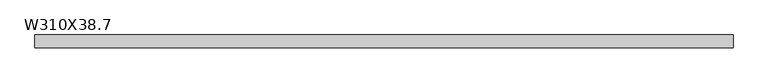
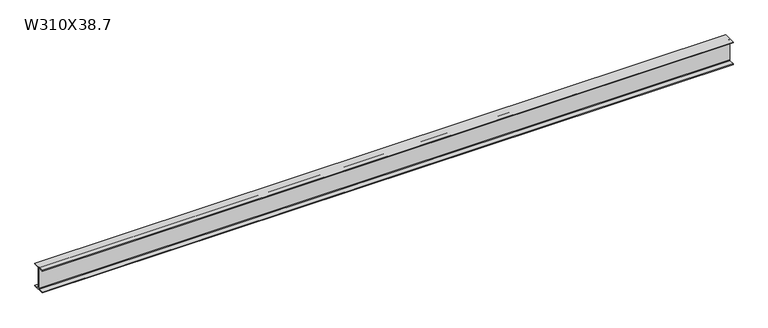
"""IFC4 building model written with IfcOpenShell, lengths in millimetres: beam geometry, W310X38.7."""

from ifc_helpers import new_model, si_unit, point, frame, frame_2d, origin, place, context, project, spatial, polyline, circle_curve, trimmed, segment, composite_curve, outline, extrude, source, transform, mapped, element, save


def w310x38_7_84b18755(model_context):
    return source(origin(), model_context, "Body", "SweptSolid", [
        extrude(outline(composite_curve([segment(polyline([(82.5, -145.35), (82.5, -155.0), (-82.5, -155.0), (-82.5, -145.35), (-10.57, -145.35)]), True, "CONTINUOUS"), segment(trimmed(circle_curve(frame_2d((-10.57, -137.7)), 7.65), [point((-10.57, -145.35))], [point((-2.92, -137.7))], True, "CARTESIAN"), True, "CONTINUOUS"), segment(polyline([(-2.92, -137.7), (-2.92, 137.7)]), True, "CONTINUOUS"), segment(trimmed(circle_curve(frame_2d((-10.57, 137.7)), 7.65), [point((-2.92, 137.7))], [point((-10.57, 145.35))], True, "CARTESIAN"), True, "CONTINUOUS"), segment(polyline([(-10.57, 145.35), (-82.5, 145.35), (-82.5, 155.0), (82.5, 155.0), (82.5, 145.35), (10.57, 145.35)]), True, "CONTINUOUS"), segment(trimmed(circle_curve(frame_2d((10.57, 137.7)), 7.65), [point((10.57, 145.35))], [point((2.92, 137.7))], True, "CARTESIAN"), True, "CONTINUOUS"), segment(polyline([(2.92, 137.7), (2.92, -137.7)]), True, "CONTINUOUS"), segment(trimmed(circle_curve(frame_2d((10.57, -137.7)), 7.65), [point((2.92, -137.7))], [point((10.57, -145.35))], True, "CARTESIAN"), True, "CONTINUOUS"), segment(polyline([(10.57, -145.35), (82.5, -145.35)]), True, "CONTINUOUS")], self_intersect=False)), frame((-4500.0, 0.0, 0.0), z_axis=(1.0, 0.0, 0.0), x_axis=(0.0, 1.0, 0.0)), (0.0, 0.0, 1.0), 9000.0),
    ])


if __name__ == "__main__":
    model = new_model("IFC4")
    model_context = context("Model", 3, world=origin())
    ifc_project = project(units=[si_unit("LENGTHUNIT", "METRE", prefix="MILLI")], contexts=[model_context])
    site = spatial("IfcSite", under=ifc_project)
    building = spatial("IfcBuilding", under=site)
    placement = place(None, origin())
    w310x38_7_shape = w310x38_7_84b18755(model_context)
    element("IfcBeam", 1, ObjectType="W310X38.7", at=placement, inside=building, context=model_context, shape_type="MappedRepresentation", body=[
        mapped(w310x38_7_shape, transform((0.0, 0.0, 0.0), x_axis=(1.0, 0.0, 0.0), y_axis=(0.0, 1.0, 0.0), z_axis=(0.0, 0.0, 1.0))),
    ])
    save(model, "model.ifc")
